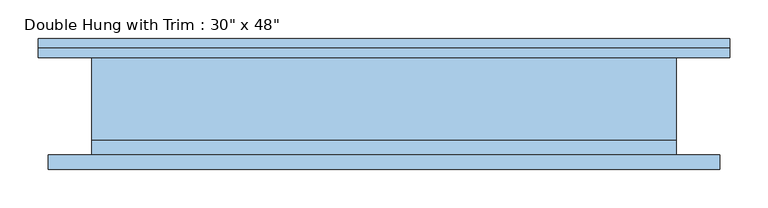
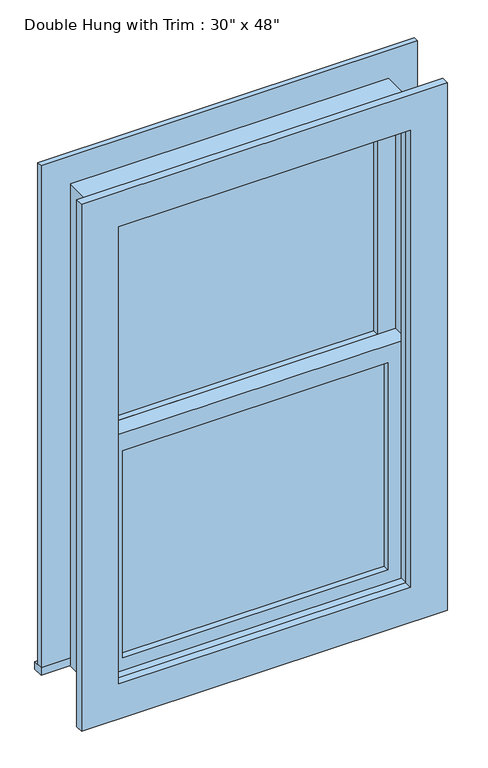
"""IFC4 building model written with IfcOpenShell, lengths in millimetres: window geometry."""

import ifcopenshell
import ifcopenshell.guid

model = None  # the IFC model being written
_history = None  # IfcOwnerHistory: only IFC2X3 demands one
_inside = {}  # id of a spatial element -> (the spatial element, [elements in it])
_under = {}  # id of a project, library or spatial element -> (it, [spatial elements below it])
_declared = {}  # id of a project -> (the project, [libraries it declares])
_typed = {}  # id of a type object -> (the type object, [elements of that type])
_made_of = {}  # id of a material, layer set ... -> (it, [elements and type objects made of it])


def new_model(schema):
    """Start an empty IFC model of exactly this schema.

    Asked for "IFC4X3", IfcOpenShell would pick the latest addendum, in which some entities
    have other attributes; the version numbers below select the first issue.
    IFC2X3 requires an IfcOwnerHistory on every rooted entity: one is made here for all.
    """
    global model, _history
    if schema == "IFC4X3":
        model = ifcopenshell.file(schema_version=(4, 3, 0, 0))
    else:
        model = ifcopenshell.file(schema=schema)
    _inside.clear()
    _under.clear()
    _declared.clear()
    _typed.clear()
    _made_of.clear()
    _history = None
    if model.schema == "IFC2X3":
        org = make("IfcOrganization", Name="unknown")
        user = make(
            "IfcPersonAndOrganization",
            ThePerson=make("IfcPerson", FamilyName="unknown"),
            TheOrganization=org,
        )
        app = make(
            "IfcApplication",
            ApplicationDeveloper=org,
            Version="unknown",
            ApplicationFullName="unknown",
            ApplicationIdentifier="unknown",
        )
        _history = make(
            "IfcOwnerHistory",
            OwningUser=user,
            OwningApplication=app,
            ChangeAction="ADDED",
            CreationDate=0,
        )
    return model


def make(cls, **values):
    """One entity of the class cls with the attributes given. An attribute that is None is left unset."""
    return model.create_entity(
        cls, **{name: value for name, value in values.items() if value is not None}
    )


def rooted(cls, **values):
    """An entity with a GlobalId (a new one), such as an element, a storey or a relation."""
    return make(cls, GlobalId=ifcopenshell.guid.new(), OwnerHistory=_history, **values)


def si_unit(unit_type, name, prefix=None):
    """IfcSIUnit, for example si_unit("LENGTHUNIT", "METRE", prefix="MILLI")."""
    return make("IfcSIUnit", UnitType=unit_type, Prefix=prefix, Name=name)


def assignment(units):
    """IfcUnitAssignment: the units of a project."""
    return None if units is None else make("IfcUnitAssignment", Units=units)


def point(xyz):
    """IfcCartesianPoint."""
    return None if xyz is None else make("IfcCartesianPoint", Coordinates=xyz)


def direction(xyz):
    """IfcDirection."""
    return None if xyz is None else make("IfcDirection", DirectionRatios=xyz)


def frame(location, z_axis=None, x_axis=None):
    """IfcAxis2Placement3D, a coordinate frame: its origin and axes. An axis left out is left unset."""
    return make(
        "IfcAxis2Placement3D",
        Location=point(location),
        Axis=direction(z_axis),
        RefDirection=direction(x_axis),
    )


def origin():
    """The frame at (0, 0, 0) with its axes left unset."""
    return frame((0.0, 0.0, 0.0))


def place(relative_to, where):
    """IfcLocalPlacement: puts the frame where relative to a parent placement (None: the world)."""
    return make(
        "IfcLocalPlacement", PlacementRelTo=relative_to, RelativePlacement=where
    )


def context(
    kind, dimensions, precision=None, world=None, true_north=None, identifier=None
):
    """IfcGeometricRepresentationContext, for example the 3D "Model" context."""
    return make(
        "IfcGeometricRepresentationContext",
        ContextIdentifier=identifier,
        ContextType=kind,
        CoordinateSpaceDimension=dimensions,
        Precision=precision,
        WorldCoordinateSystem=world,
        TrueNorth=true_north,
    )


def project(units=None, contexts=None):
    """IfcProject with its units and contexts."""
    return rooted(
        "IfcProject",
        Name="project",
        RepresentationContexts=contexts,
        UnitsInContext=assignment(units),
    )


def spatial(cls, under=None, at=None, **own):
    """A site, building, storey or space (cls), placed at a placement, below another one or the project."""
    s = rooted(cls, ObjectPlacement=at, **own)
    if under is not None:
        _under.setdefault(under.id(), (under, []))[1].append(s)
    return s


def polyline(points):
    """IfcPolyline through the points."""
    return make("IfcPolyline", Points=[point(p) for p in points])


def outline(outer, holes=None, kind="AREA"):
    """IfcArbitraryClosedProfileDef: a profile drawn as a closed curve; with holes, ...WithVoids."""
    if holes is None:
        return make("IfcArbitraryClosedProfileDef", ProfileType=kind, OuterCurve=outer)
    return make(
        "IfcArbitraryProfileDefWithVoids",
        ProfileType=kind,
        OuterCurve=outer,
        InnerCurves=holes,
    )


def extrude(swept, where, along, depth):
    """IfcExtrudedAreaSolid: the profile swept, set in the frame where, extruded along a direction by depth."""
    return make(
        "IfcExtrudedAreaSolid",
        SweptArea=swept,
        Position=where,
        ExtrudedDirection=direction(along),
        Depth=depth,
    )


def shape(context_of_items, identifier, shape_type, items):
    """IfcShapeRepresentation: the items that make up one representation, for example the "Body"."""
    return make(
        "IfcShapeRepresentation",
        ContextOfItems=context_of_items,
        RepresentationIdentifier=identifier,
        RepresentationType=shape_type,
        Items=items,
    )


def source(mapping_origin, context_of_items, identifier, shape_type, items):
    """IfcRepresentationMap: a shape defined once, which mapped items show again and again."""
    return make(
        "IfcRepresentationMap",
        MappingOrigin=mapping_origin,
        MappedRepresentation=shape(context_of_items, identifier, shape_type, items),
    )


def transform(
    local_origin,
    x_axis=None,
    y_axis=None,
    z_axis=None,
    scale=None,
    scale2=None,
    scale3=None,
    uniform=True,
):
    """IfcCartesianTransformationOperator3D, or its non-uniform kind. x_axis, y_axis, z_axis: its Axis1, 2, 3."""
    if uniform:
        return make(
            "IfcCartesianTransformationOperator3D",
            Axis1=direction(x_axis),
            Axis2=direction(y_axis),
            LocalOrigin=point(local_origin),
            Scale=scale,
            Axis3=direction(z_axis),
        )
    return make(
        "IfcCartesianTransformationOperator3DnonUniform",
        Axis1=direction(x_axis),
        Axis2=direction(y_axis),
        LocalOrigin=point(local_origin),
        Scale=scale,
        Axis3=direction(z_axis),
        Scale2=scale2,
        Scale3=scale3,
    )


def mapped(mapping_source, mapping_target):
    """IfcMappedItem: shows the shape of a source again, moved by a transform."""
    return make(
        "IfcMappedItem", MappingSource=mapping_source, MappingTarget=mapping_target
    )


def made_of(thing, what):
    """Note that an element or type object is made of a material, layer set ...; save() writes the relation."""
    if what is not None:
        _made_of.setdefault(what.id(), (what, []))[1].append(thing)
    return thing


def element(
    cls,
    number,
    at=None,
    inside=None,
    cuts=None,
    type_object=None,
    material=None,
    context=None,
    identifier="Body",
    shape_type=None,
    held_by="IfcProductDefinitionShape",
    body=None,
    shapes=None,
    **own,
):
    """One element of the class cls, such as IfcWall. Its Tag is "e" and its number.

    at: its placement. inside: the storey or other place that contains it. cuts: it is an
    opening in that element (IfcRelVoidsElement). A single representation is given by context,
    identifier, shape_type and body (its items); several are given by shapes. held_by: the class
    of the entity that holds the representations. save() writes the other relations.
    """
    e = rooted(cls, Tag="e%d" % number, ObjectPlacement=at, **own)
    if body is not None:
        shapes = [shape(context, identifier, shape_type, body)]
    if shapes is not None:
        e.Representation = make(held_by, Representations=shapes)
    if inside is not None:
        _inside.setdefault(inside.id(), (inside, []))[1].append(e)
    if cuts is not None:
        rooted(
            "IfcRelVoidsElement", RelatingBuildingElement=cuts, RelatedOpeningElement=e
        )
    if type_object is not None:
        _typed.setdefault(type_object.id(), (type_object, []))[1].append(e)
    return made_of(e, material)


def aggregate(whole, parts):
    """IfcRelAggregates: a whole, such as a stair, and the parts it consists of."""
    return rooted("IfcRelAggregates", RelatingObject=whole, RelatedObjects=parts)


def save(model, path):
    """Write the relations noted so far, then the file.

    IfcRelAggregates (storeys below a building ...), IfcRelContainedInSpatialStructure (elements
    in a storey), IfcRelDefinesByType, IfcRelAssociatesMaterial and IfcRelDeclares: one each for
    every whole, place, type object, material and project.
    """
    for whole, parts in _under.values():
        aggregate(whole, parts)
    for where, things in _inside.values():
        rooted(
            "IfcRelContainedInSpatialStructure",
            RelatedElements=things,
            RelatingStructure=where,
        )
    for kind, things in _typed.values():
        rooted("IfcRelDefinesByType", RelatedObjects=things, RelatingType=kind)
    for what, things in _made_of.values():
        rooted("IfcRelAssociatesMaterial", RelatedObjects=things, RelatingMaterial=what)
    for by, libraries in _declared.values():
        rooted("IfcRelDeclares", RelatingContext=by, RelatedDefinitions=libraries)
    model.write(path)


def window_4bdd62ff(model_context):
    return source(origin(), model_context, "Body", "SweptSolid", [
        extrude(outline(polyline([(-317.5, -15.875), (317.5, -15.875), (317.5, -28.575), (-317.5, -28.575), (-317.5, -15.875)])), frame((0.0, 0.0, 977.9), z_axis=(0.0, 0.0, 1.0), x_axis=(1.0, 0.0, 0.0)), (0.0, 0.0, 1.0), 523.875),
        extrude(outline(polyline([(1546.225, -361.95), (933.45, -361.95), (933.45, 361.95), (1546.225, 361.95), (1546.225, -361.95)]), holes=[polyline([(1501.775, -317.5), (1501.775, 317.5), (977.9, 317.5), (977.9, -317.5), (1501.775, -317.5)])]), frame((0.0, -44.45, 0.0), z_axis=(0.0, 1.0, 0.0), x_axis=(0.0, 0.0, 1.0)), (0.0, 0.0, 1.0), 44.45),
        extrude(outline(polyline([(-450.85, 88.9), (450.85, 88.9), (450.85, 63.5), (-450.85, 63.5), (-450.85, 88.9)])), frame((0.0, 0.0, 914.4), z_axis=(0.0, 0.0, 1.0), x_axis=(1.0, 0.0, 0.0)), (0.0, 0.0, 1.0), 19.05),
        extrude(outline(polyline([(2114.55, -361.95), (2114.55, 361.95), (933.45, 361.95), (933.45, 450.85), (2203.45, 450.85), (2203.45, -450.85), (933.45, -450.85), (933.45, -361.95), (2114.55, -361.95)])), frame((0.0, 63.5, 0.0), z_axis=(0.0, 1.0, 0.0), x_axis=(0.0, 0.0, 1.0)), (0.0, 0.0, 1.0), 12.7),
        extrude(outline(polyline([(2190.75, 438.15), (2190.75, -438.15), (857.25, -438.15), (857.25, 438.15), (2190.75, 438.15)]), holes=[polyline([(2101.85, 349.25), (946.15, 349.25), (946.15, -349.25), (2101.85, -349.25), (2101.85, 349.25)])]), frame((0.0, -82.55, 0.0), z_axis=(0.0, 1.0, 0.0), x_axis=(0.0, 0.0, 1.0)), (0.0, 0.0, 1.0), 19.05),
        extrude(outline(polyline([(317.5, 15.875), (-317.5, 15.875), (-317.5, 28.575), (317.5, 28.575), (317.5, 15.875)])), frame((0.0, 0.0, 1546.225), z_axis=(0.0, 0.0, 1.0), x_axis=(1.0, 0.0, 0.0)), (0.0, 0.0, 1.0), 523.875),
        extrude(outline(polyline([(2114.55, -361.95), (1501.775, -361.95), (1501.775, 361.95), (2114.55, 361.95), (2114.55, -361.95)]), holes=[polyline([(2070.1, -317.5), (2070.1, 317.5), (1546.225, 317.5), (1546.225, -317.5), (2070.1, -317.5)])]), frame((0.0, 0.0, 0.0), z_axis=(0.0, 1.0, 0.0), x_axis=(0.0, 0.0, 1.0)), (0.0, 0.0, 1.0), 44.45),
        extrude(outline(polyline([(2133.6, -381.0), (914.4, -381.0), (914.4, 381.0), (2133.6, 381.0), (2133.6, -381.0)]), holes=[polyline([(2101.85, -349.25), (2101.85, 349.25), (946.15, 349.25), (946.15, -349.25), (2101.85, -349.25)])]), frame((0.0, -63.5, 0.0), z_axis=(0.0, 1.0, 0.0), x_axis=(0.0, 0.0, 1.0)), (0.0, 0.0, 1.0), 19.05),
        extrude(outline(polyline([(2133.6, 381.0), (2133.6, -381.0), (914.4, -381.0), (914.4, 381.0), (2133.6, 381.0)]), holes=[polyline([(2114.55, 361.95), (933.45, 361.95), (933.45, -361.95), (2114.55, -361.95), (2114.55, 361.95)])]), frame((0.0, -44.45, 0.0), z_axis=(0.0, 1.0, 0.0), x_axis=(0.0, 0.0, 1.0)), (0.0, 0.0, 1.0), 107.95),
    ])


if __name__ == "__main__":
    model = new_model("IFC4")
    model_context = context("Model", 3, world=origin())
    ifc_project = project(units=[si_unit("LENGTHUNIT", "METRE", prefix="MILLI")], contexts=[model_context])
    site = spatial("IfcSite", under=ifc_project)
    building = spatial("IfcBuilding", under=site)
    placement = place(None, origin())
    window_shape = window_4bdd62ff(model_context)
    element("IfcWindow", 1, ObjectType="Double Hung with Trim : 30\" x 48\"", at=placement, inside=building, context=model_context, shape_type="MappedRepresentation", body=[
        mapped(window_shape, transform((0.0, 0.0, 0.0), x_axis=(1.0, 0.0, 0.0), y_axis=(0.0, 1.0, 0.0), z_axis=(0.0, 0.0, 1.0))),
    ])
    save(model, "model.ifc")
